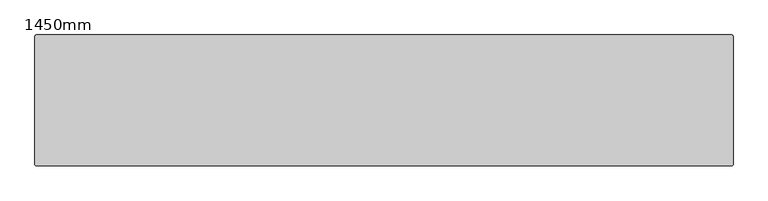
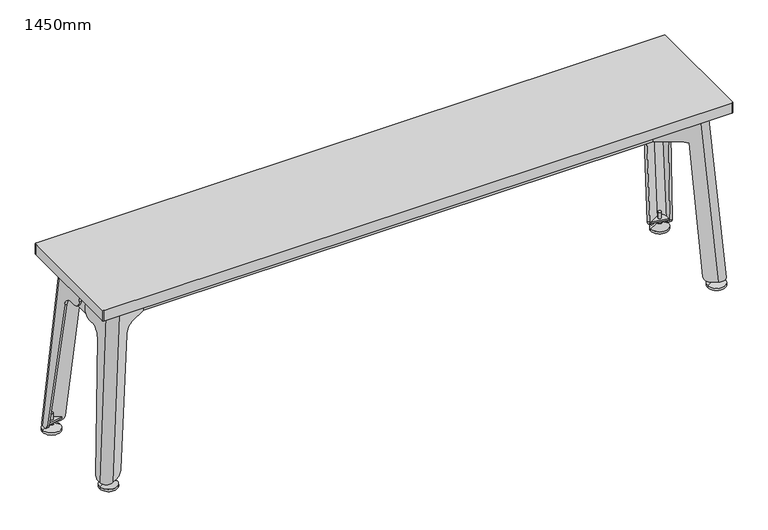
"""IFC4 building model written with IfcOpenShell, lengths in millimetres: furniture geometry, 1450mm."""

from ifc_helpers import new_model, si_unit, point, frame, frame_2d, origin, place, context, project, spatial, polyline, circle_curve, ellipse_curve, trimmed, segment, composite_curve, outline, extrude, source, transform, mapped, element, save
from ifc_brep_helpers import plane_surface, cylinder_surface, revolved_surface, extruded_surface, advanced_brep


def furniture_1450mm_d9cc6aed(model_context):
    return source(origin(), model_context, "Body", "SolidModel", [
        extrude(outline(composite_curve([segment(trimmed(circle_curve(frame_2d((-693.9, -112.5)), 3.5), [point((-697.4, -112.5))], [point((-690.4, -112.5))], False, "CARTESIAN"), True, "CONTINUOUS"), segment(trimmed(circle_curve(frame_2d((-693.9, -112.5)), 3.5), [point((-690.4, -112.5))], [point((-697.4, -112.5))], False, "CARTESIAN"), True, "CONTINUOUS")], self_intersect=False)), frame((0.0, 0.0, 5.0), z_axis=(0.0, 0.0, 1.0), x_axis=(1.0, 0.0, 0.0)), (0.0, 0.0, 1.0), 35.0),
        extrude(outline(composite_curve([segment(trimmed(circle_curve(frame_2d((-693.9, 112.5)), 3.5), [point((-697.4, 112.5))], [point((-690.4, 112.5))], False, "CARTESIAN"), True, "CONTINUOUS"), segment(trimmed(circle_curve(frame_2d((-693.9, 112.5)), 3.5), [point((-690.4, 112.5))], [point((-697.4, 112.5))], False, "CARTESIAN"), True, "CONTINUOUS")], self_intersect=False)), frame((0.0, 0.0, 5.0), z_axis=(0.0, 0.0, 1.0), x_axis=(1.0, 0.0, 0.0)), (0.0, 0.0, 1.0), 35.0),
        extrude(outline(composite_curve([segment(trimmed(circle_curve(frame_2d((693.9, 112.5)), 3.5), [point((690.4, 112.5))], [point((697.4, 112.5))], False, "CARTESIAN"), True, "CONTINUOUS"), segment(trimmed(circle_curve(frame_2d((693.9, 112.5)), 3.5), [point((697.4, 112.5))], [point((690.4, 112.5))], False, "CARTESIAN"), True, "CONTINUOUS")], self_intersect=False)), frame((0.0, 0.0, 5.0), z_axis=(0.0, 0.0, 1.0), x_axis=(1.0, 0.0, 0.0)), (0.0, 0.0, 1.0), 35.0),
        extrude(outline(composite_curve([segment(trimmed(circle_curve(frame_2d((693.9, -112.5)), 3.5), [point((690.4, -112.5))], [point((697.4, -112.5))], False, "CARTESIAN"), True, "CONTINUOUS"), segment(trimmed(circle_curve(frame_2d((693.9, -112.5)), 3.5), [point((697.4, -112.5))], [point((690.4, -112.5))], False, "CARTESIAN"), True, "CONTINUOUS")], self_intersect=False)), frame((0.0, 0.0, 5.0), z_axis=(0.0, 0.0, 1.0), x_axis=(1.0, 0.0, 0.0)), (0.0, 0.0, 1.0), 35.0),
        advanced_brep(
        [(693.9, 112.5, 14.0), (688.9, 112.5, 14.0), (698.9, 112.5, 14.0), (713.9, 112.5, 0.0), (673.9, 112.5, 0.0), (693.9, 112.5, 0.0), (713.9, 112.5, 5.0), (673.9, 112.5, 5.0)],
        [
            (0, 1),
            (1, 2, circle_curve(frame((693.9, 112.5, 14.0), z_axis=(0.0, 0.0, 1.0), x_axis=(-1.0, 0.0, 0.0)), 5.0)),
            (2, 0),
            (2, 1, circle_curve(frame((693.9, 112.5, 14.0), z_axis=(0.0, 0.0, 1.0), x_axis=(-1.0, 0.0, 0.0)), 5.0)),
            (3, 4, circle_curve(frame((693.9, 112.5, 0.0), z_axis=(0.0, 0.0, -1.0), x_axis=(-1.0, 0.0, 0.0)), 20.0)),
            (4, 5),
            (5, 3),
            (4, 3, circle_curve(frame((693.9, 112.5, 0.0), z_axis=(0.0, 0.0, -1.0), x_axis=(-1.0, 0.0, 0.0)), 20.0)),
            (6, 7, circle_curve(frame((693.9, 112.5, 5.0), z_axis=(0.0, 0.0, -1.0), x_axis=(-1.0, 0.0, 0.0)), 20.0)),
            (7, 4),
            (3, 6),
            (7, 6, circle_curve(frame((693.9, 112.5, 5.0), z_axis=(0.0, 0.0, -1.0), x_axis=(-1.0, 0.0, 0.0)), 20.0)),
            (1, 7),
            (6, 2),
        ],
        [
            plane_surface(frame((693.9, 112.5, 14.0), z_axis=(0.0, 0.0, 1.0), x_axis=(-1.0, 0.0, 0.0))),
            plane_surface(frame((693.9, 112.5, 0.0), z_axis=(0.0, 0.0, -1.0), x_axis=(-1.0, 0.0, 0.0))),
            cylinder_surface(frame((693.9, 112.5, -4.2812996), z_axis=(0.0, 0.0, 1.0), x_axis=(-1.0, 0.0, 0.0)), 20.0),
            revolved_surface(polyline([(673.9, 112.5, 5.0), (688.9, 112.5, 14.0)]), (693.9, 112.5, -4.2812996), (0.0, 0.0, 1.0)),
        ],
        [
            (0, [[1, 2, 3]]),
            (0, [[-3, 4, -1]]),
            (1, [[5, 6, 7]]),
            (1, [[8, -7, -6]]),
            (2, [[9, 10, -5, 11]]),
            (2, [[12, -11, -8, -10]]),
            (3, [[-2, 13, -9, 14]]),
            (3, [[-4, -14, -12, -13]]),
        ],
    ),
        advanced_brep(
        [(698.9, -112.5, 14.0), (688.9, -112.5, 14.0), (693.9, -112.5, 14.0), (693.9, -112.5, 0.0), (673.9, -112.5, 0.0), (713.9, -112.5, 0.0), (673.9, -112.5, 5.0), (713.9, -112.5, 5.0)],
        [
            (0, 1, circle_curve(frame((693.9, -112.5, 14.0), z_axis=(0.0, 0.0, 1.0), x_axis=(-1.0, 0.0, 0.0)), 5.0)),
            (1, 2),
            (2, 0),
            (1, 0, circle_curve(frame((693.9, -112.5, 14.0), z_axis=(0.0, 0.0, 1.0), x_axis=(-1.0, 0.0, 0.0)), 5.0)),
            (3, 4),
            (4, 5, circle_curve(frame((693.9, -112.5, 0.0), z_axis=(0.0, 0.0, -1.0), x_axis=(-1.0, 0.0, 0.0)), 20.0)),
            (5, 3),
            (5, 4, circle_curve(frame((693.9, -112.5, 0.0), z_axis=(0.0, 0.0, -1.0), x_axis=(-1.0, 0.0, 0.0)), 20.0)),
            (4, 6),
            (6, 7, circle_curve(frame((693.9, -112.5, 5.0), z_axis=(0.0, 0.0, -1.0), x_axis=(-1.0, 0.0, 0.0)), 20.0)),
            (7, 5),
            (7, 6, circle_curve(frame((693.9, -112.5, 5.0), z_axis=(0.0, 0.0, -1.0), x_axis=(-1.0, 0.0, 0.0)), 20.0)),
            (6, 1),
            (0, 7),
        ],
        [
            plane_surface(frame((693.9, -112.5, 14.0), z_axis=(0.0, 0.0, 1.0), x_axis=(-1.0, 0.0, 0.0))),
            plane_surface(frame((693.9, -112.5, 0.0), z_axis=(0.0, 0.0, -1.0), x_axis=(-1.0, 0.0, 0.0))),
            cylinder_surface(frame((693.9, -112.5, -4.2812996), z_axis=(0.0, 0.0, -1.0), x_axis=(-1.0, 0.0, 0.0)), 20.0),
            revolved_surface(polyline([(688.9, -112.5, 14.0), (673.9, -112.5, 5.0)]), (693.9, -112.5, -4.2812996), (0.0, 0.0, -1.0)),
        ],
        [
            (0, [[1, 2, 3]]),
            (0, [[4, -3, -2]]),
            (1, [[5, 6, 7]]),
            (1, [[-7, 8, -5]]),
            (2, [[-6, 9, 10, 11]]),
            (2, [[-8, -11, 12, -9]]),
            (3, [[-10, 13, -1, 14]]),
            (3, [[-12, -14, -4, -13]]),
        ],
    ),
        advanced_brep(
        [(-698.9, 112.5, 14.0), (-688.9, 112.5, 14.0), (-693.9, 112.5, 14.0), (-693.9, 112.5, 0.0), (-673.9, 112.5, 0.0), (-713.9, 112.5, 0.0), (-673.9, 112.5, 5.0), (-713.9, 112.5, 5.0)],
        [
            (0, 1, circle_curve(frame((-693.9, 112.5, 14.0), z_axis=(0.0, 0.0, 1.0), x_axis=(1.0, 0.0, 0.0)), 5.0)),
            (1, 2),
            (2, 0),
            (1, 0, circle_curve(frame((-693.9, 112.5, 14.0), z_axis=(0.0, 0.0, 1.0), x_axis=(1.0, 0.0, 0.0)), 5.0)),
            (3, 4),
            (4, 5, circle_curve(frame((-693.9, 112.5, 0.0), z_axis=(0.0, 0.0, -1.0), x_axis=(1.0, 0.0, 0.0)), 20.0)),
            (5, 3),
            (5, 4, circle_curve(frame((-693.9, 112.5, 0.0), z_axis=(0.0, 0.0, -1.0), x_axis=(1.0, 0.0, 0.0)), 20.0)),
            (4, 6),
            (6, 7, circle_curve(frame((-693.9, 112.5, 5.0), z_axis=(0.0, 0.0, -1.0), x_axis=(1.0, 0.0, 0.0)), 20.0)),
            (7, 5),
            (7, 6, circle_curve(frame((-693.9, 112.5, 5.0), z_axis=(0.0, 0.0, -1.0), x_axis=(1.0, 0.0, 0.0)), 20.0)),
            (6, 1),
            (0, 7),
        ],
        [
            plane_surface(frame((-693.9, 112.5, 14.0), z_axis=(0.0, 0.0, 1.0), x_axis=(1.0, 0.0, 0.0))),
            plane_surface(frame((-693.9, 112.5, 0.0), z_axis=(0.0, 0.0, -1.0), x_axis=(1.0, 0.0, 0.0))),
            cylinder_surface(frame((-693.9, 112.5, -4.2812996), z_axis=(0.0, 0.0, -1.0), x_axis=(1.0, 0.0, 0.0)), 20.0),
            revolved_surface(polyline([(-688.9, 112.5, 14.0), (-673.9, 112.5, 5.0)]), (-693.9, 112.5, -4.2812996), (0.0, 0.0, -1.0)),
        ],
        [
            (0, [[1, 2, 3]]),
            (0, [[4, -3, -2]]),
            (1, [[5, 6, 7]]),
            (1, [[-7, 8, -5]]),
            (2, [[-6, 9, 10, 11]]),
            (2, [[-8, -11, 12, -9]]),
            (3, [[-10, 13, -1, 14]]),
            (3, [[-12, -14, -4, -13]]),
        ],
    ),
        advanced_brep(
        [(-693.9, -112.5, 14.0), (-688.9, -112.5, 14.0), (-698.9, -112.5, 14.0), (-713.9, -112.5, 0.0), (-673.9, -112.5, 0.0), (-693.9, -112.5, 0.0), (-713.9, -112.5, 5.0), (-673.9, -112.5, 5.0)],
        [
            (0, 1),
            (1, 2, circle_curve(frame((-693.9, -112.5, 14.0), z_axis=(0.0, 0.0, 1.0), x_axis=(1.0, 0.0, 0.0)), 5.0)),
            (2, 0),
            (2, 1, circle_curve(frame((-693.9, -112.5, 14.0), z_axis=(0.0, 0.0, 1.0), x_axis=(1.0, 0.0, 0.0)), 5.0)),
            (3, 4, circle_curve(frame((-693.9, -112.5, 0.0), z_axis=(0.0, 0.0, -1.0), x_axis=(1.0, 0.0, 0.0)), 20.0)),
            (4, 5),
            (5, 3),
            (4, 3, circle_curve(frame((-693.9, -112.5, 0.0), z_axis=(0.0, 0.0, -1.0), x_axis=(1.0, 0.0, 0.0)), 20.0)),
            (6, 7, circle_curve(frame((-693.9, -112.5, 5.0), z_axis=(0.0, 0.0, -1.0), x_axis=(1.0, 0.0, 0.0)), 20.0)),
            (7, 4),
            (3, 6),
            (7, 6, circle_curve(frame((-693.9, -112.5, 5.0), z_axis=(0.0, 0.0, -1.0), x_axis=(1.0, 0.0, 0.0)), 20.0)),
            (1, 7),
            (6, 2),
        ],
        [
            plane_surface(frame((-693.9, -112.5, 14.0), z_axis=(0.0, 0.0, 1.0), x_axis=(1.0, 0.0, 0.0))),
            plane_surface(frame((-693.9, -112.5, 0.0), z_axis=(0.0, 0.0, -1.0), x_axis=(1.0, 0.0, 0.0))),
            cylinder_surface(frame((-693.9, -112.5, -4.2812996), z_axis=(0.0, 0.0, 1.0), x_axis=(1.0, 0.0, 0.0)), 20.0),
            revolved_surface(polyline([(-673.9, -112.5, 5.0), (-688.9, -112.5, 14.0)]), (-693.9, -112.5, -4.2812996), (0.0, 0.0, 1.0)),
        ],
        [
            (0, [[1, 2, 3]]),
            (0, [[-3, 4, -1]]),
            (1, [[5, 6, 7]]),
            (1, [[8, -7, -6]]),
            (2, [[9, 10, -5, 11]]),
            (2, [[12, -11, -8, -10]]),
            (3, [[-2, 13, -9, 14]]),
            (3, [[-4, -14, -12, -13]]),
        ],
    ),
        extrude(outline(composite_curve([segment(polyline([(-708.9, -112.5), (-708.9, -101.1549508), (-672.2493649, -108.660254), (-693.9, -121.160254)]), True, "CONTINUOUS"), segment(trimmed(circle_curve(frame_2d((-698.9, -112.5)), 10.0), [point((-693.9, -121.160254))], [point((-708.9, -112.5))], False, "CARTESIAN"), True, "CONTINUOUS")], self_intersect=False)), frame((0.0, 0.0, 21.0), z_axis=(0.0, 0.0, 1.0), x_axis=(1.0, 0.0, 0.0)), (0.0, 0.0, 1.0), 4.0),
        extrude(outline(composite_curve([segment(trimmed(circle_curve(frame_2d((-698.9, 112.5)), 10.0), [point((-708.9, 112.5))], [point((-693.9, 121.160254))], False, "CARTESIAN"), True, "CONTINUOUS"), segment(polyline([(-693.9, 121.160254), (-672.2493649, 108.660254), (-708.9, 101.1549508), (-708.9, 112.5)]), True, "CONTINUOUS")], self_intersect=False)), frame((0.0, 0.0, 21.0), z_axis=(0.0, 0.0, 1.0), x_axis=(1.0, 0.0, 0.0)), (0.0, 0.0, 1.0), 4.0),
        extrude(outline(composite_curve([segment(polyline([(672.2493649, 108.660254), (693.9, 121.160254)]), True, "CONTINUOUS"), segment(trimmed(circle_curve(frame_2d((698.9, 112.5)), 10.0), [point((693.9, 121.160254))], [point((708.9, 112.5))], False, "CARTESIAN"), True, "CONTINUOUS"), segment(polyline([(708.9, 112.5), (708.9, 101.1549508), (672.2493649, 108.660254)]), True, "CONTINUOUS")], self_intersect=False)), frame((0.0, 0.0, 21.0), z_axis=(0.0, 0.0, 1.0), x_axis=(1.0, 0.0, 0.0)), (0.0, 0.0, 1.0), 4.0),
        extrude(outline(composite_curve([segment(trimmed(circle_curve(frame_2d((698.9, -112.5)), 10.0), [point((708.9, -112.5))], [point((693.9, -121.160254))], False, "CARTESIAN"), True, "CONTINUOUS"), segment(polyline([(693.9, -121.160254), (672.2493649, -108.660254), (708.9, -101.1549508), (708.9, -112.5)]), True, "CONTINUOUS")], self_intersect=False)), frame((0.0, 0.0, 21.0), z_axis=(0.0, 0.0, 1.0), x_axis=(1.0, 0.0, 0.0)), (0.0, 0.0, 1.0), 4.0),
        extrude(outline(polyline([(425.0, -674.4214902), (350.0, -679.8137148), (350.0, 679.8140502), (425.0, 674.4214902), (425.0, -674.4214902)])), frame((0.0, 25.5, 0.0), z_axis=(0.0, 1.0, 0.0), x_axis=(0.0, 0.0, 1.0)), (0.0, 0.0, 1.0), 30.0),
        extrude(outline(polyline([(425.0, -674.4214902), (350.0, -679.8137148), (350.0, 679.8140502), (425.0, 674.4214902), (425.0, -674.4214902)])), frame((0.0, -55.5, 0.0), z_axis=(0.0, 1.0, 0.0), x_axis=(0.0, 0.0, 1.0)), (0.0, 0.0, 1.0), 30.0),
        extrude(outline(polyline([(350.0, 684.8139006), (425.0, 679.4214902), (425.0, 674.4214902), (350.0, 679.8140502), (350.0, 684.8139006)])), frame((0.0, -55.5, 0.0), z_axis=(0.0, 1.0, 0.0), x_axis=(0.0, 0.0, 1.0)), (0.0, 0.0, 1.0), 111.0),
        extrude(outline(polyline([(350.0, -679.8137148), (425.0, -674.4214902), (425.0, -679.4214902), (350.0, -684.8137148), (350.0, -679.8137148)])), frame((0.0, -55.5, 0.0), z_axis=(0.0, 1.0, 0.0), x_axis=(0.0, 0.0, 1.0)), (0.0, 0.0, 1.0), 111.0),
        advanced_brep(
        [(684.4214902, 88.0, 425.0), (661.9214902, 100.9903811, 425.0), (578.5510818, 52.8564533, 425.0), (581.3502118, 48.6990291, 425.0), (664.4214902, 96.660254, 425.0), (679.4214902, 88.0, 425.0), (679.4214902, 11.6164295, 425.0), (684.4214902, 11.6164295, 425.0), (676.8913287, 117.1137958, 15.0), (691.4, 125.4903811, 15.0), (698.9, 127.5, 15.0), (713.9, 112.5, 15.0), (713.9, 106.5232166, 15.0), (708.9, 106.5232166, 15.0), (708.9, 112.5, 15.0), (694.3296714, 121.3944981, 15.0), (693.9, 121.160254, 15.0), (679.6904587, 112.9563715, 15.0), (688.5916209, 11.6164295, 367.0), (689.8139006, 28.6164295, 350.0), (689.8139006, 40.4485879, 350.0), (691.427267, 65.3171093, 327.5605944), (713.2546534, 96.5758081, 23.9757622), (664.098017, 109.4898343, 28.0301766), (643.9128594, 92.0141445, 347.1141326), (626.6703198, 82.0065061, 350.0), (577.8876504, 53.8418188, 350.0), (580.6867804, 49.6843945, 350.0), (629.4694498, 77.8490818, 350.0), (646.7119894, 87.8567203, 347.1141326), (666.897147, 105.33241, 28.0301766), (708.2546534, 96.5758081, 23.9757622), (686.427267, 65.3171093, 327.5605944), (684.8139006, 40.4485879, 350.0), (684.8139006, 28.6164295, 350.0), (683.5916209, 11.6164295, 367.0)],
        [
            (0, 1, circle_curve(frame((669.4214902, 88.0, 425.0), z_axis=(0.0, 0.0, 1.0), x_axis=(-1.0, 0.0, 0.0)), 15.0)),
            (1, 2),
            (2, 3),
            (3, 4),
            (4, 5, circle_curve(frame((669.4214902, 88.0, 425.0), z_axis=(0.0, 0.0, -1.0), x_axis=(-1.0, 0.0, 0.0)), 10.0)),
            (5, 6),
            (6, 7),
            (7, 0),
            (8, 9),
            (9, 10, circle_curve(frame((698.9, 112.5, 15.0), z_axis=(0.0, 0.0, -1.0), x_axis=(-1.0, 0.0, 0.0)), 15.0)),
            (10, 11, circle_curve(frame((698.9, 112.5, 15.0), z_axis=(0.0, 0.0, -1.0), x_axis=(-1.0, 0.0, 0.0)), 15.0)),
            (11, 12),
            (12, 13),
            (13, 14),
            (14, 15, circle_curve(frame((698.9, 112.5, 15.0), z_axis=(0.0, 0.0, 1.0), x_axis=(-1.0, 0.0, 0.0)), 10.0)),
            (15, 16, circle_curve(frame((698.9, 112.5, 15.0), z_axis=(0.0, 0.0, 1.0), x_axis=(-1.0, 0.0, 0.0)), 10.0)),
            (16, 17),
            (17, 8),
            (11, 0),
            (7, 18),
            (18, 19, ellipse_curve(frame((688.5916209, 28.6164295, 367.0), z_axis=(0.9974252591537296, 0.0, 0.07171368350681338), x_axis=(-0.07171368350681226, 0.0, 0.9974252591537297)), 17.0438836, 17.0)),
            (19, 20),
            (20, 21, ellipse_curve(frame((691.6113707, 40.4485879, 325.0), z_axis=(-0.9974252591537296, 0.0, -0.07171368350681338), x_axis=(0.07171368350681226, 0.0, -0.9974252591537297)), 25.0645347, 25.0)),
            (21, 22),
            (22, 12, ellipse_curve(frame((713.181012, 106.5232166, 25.0), z_axis=(0.9974252591537296, 0.0, 0.07171368350681338), x_axis=(-0.07171368350681226, 0.0, 0.9974252591537297)), 10.0258139, 10.0)),
            (9, 1),
            (8, 23, ellipse_curve(frame((677.024015, 116.9167227, 30.0), z_axis=(-0.4999375946037528, 0.8659173144673706, 0.015798924249156195), x_axis=(0.8459895979976165, 0.4843651325969152, 0.22291706620221802)), 15.0376258, 15.0)),
            (23, 24),
            (24, 25, ellipse_curve(frame((626.0511171, 82.9261805, 280.0), z_axis=(0.4999375946037528, -0.8659173144673706, -0.015798924249156195), x_axis=(-0.8459895979976165, -0.4843651325969152, -0.22291706620221802)), 70.1755869, 70.0)),
            (25, 26),
            (26, 2),
            (16, 4),
            (3, 27),
            (27, 28),
            (28, 29, ellipse_curve(frame((628.8502471, 78.7687562, 280.0), z_axis=(-0.4999375946033843, 0.8659173144675821, 0.01579892424922341), x_axis=(-0.845989597997907, -0.4843651325965954, -0.22291706620180987)), 70.1755869, 70.0)),
            (29, 30),
            (30, 17, ellipse_curve(frame((679.823145, 112.7592984, 30.0), z_axis=(0.4999375946033843, -0.8659173144675821, -0.01579892424922341), x_axis=(0.845989597997907, 0.4843651325965954, 0.22291706620180987)), 15.0376258, 15.0)),
            (14, 5),
            (13, 31, ellipse_curve(frame((708.181012, 106.5232166, 25.0), z_axis=(-0.9974252591536961, 0.0, -0.07171368350728054), x_axis=(-0.07171368350727864, 0.0, 0.9974252591536962)), 10.0258139, 10.0)),
            (31, 32),
            (32, 33, ellipse_curve(frame((686.6113707, 40.4485879, 325.0), z_axis=(0.9974252591536961, 0.0, 0.07171368350728054), x_axis=(0.07171368350727864, 0.0, -0.9974252591536962)), 25.0645347, 25.0)),
            (33, 34),
            (34, 35, ellipse_curve(frame((683.5916209, 28.6164295, 367.0), z_axis=(-0.9974252591536961, 0.0, -0.07171368350728054), x_axis=(-0.07171368350727864, 0.0, 0.9974252591536962)), 17.0438836, 17.0)),
            (35, 6),
            (26, 27),
            (25, 28),
            (29, 24),
            (23, 30),
            (33, 20),
            (19, 34),
            (31, 22),
            (21, 32),
            (35, 18),
        ],
        [
            plane_surface(frame((647.4317535, 56.4126588, 425.0), z_axis=(0.0, 0.0, 1.0), x_axis=(0.0, 1.0, 0.0))),
            plane_surface(frame((689.0346189, 100.4126588, 15.0), z_axis=(0.0, 0.0, -1.0), x_axis=(0.0, 1.0, 0.0))),
            plane_surface(frame((713.9, 92.5, 15.0), z_axis=(0.9974252591537296, 0.0, 0.07171368350681338), x_axis=(0.0, 1.0, 0.0))),
            extruded_surface(trimmed(circle_curve(frame((698.9, 112.5, 15.0), z_axis=(0.0, 0.0, 1.0), x_axis=(-1.0, 0.0, 0.0)), 15.0), [point((713.9, 112.5, 15.0))], [point((691.4, 125.4903811, 15.0))], True, "CARTESIAN"), (-29.478509799999983, -24.5, 410.0), 411.78784894655246),
            plane_surface(frame((665.4192379, 110.4903811, 15.0), z_axis=(-0.4999375946037528, 0.8659173144673706, 0.015798924249156195), x_axis=(-0.8660254037844134, -0.500000000000044, 0.0))),
            plane_surface(frame((667.9192379, 106.160254, 15.0), z_axis=(0.4999375946033843, -0.8659173144675821, -0.01579892424922341), x_axis=(0.8660254037846258, 0.4999999999996759, 0.0))),
            extruded_surface(trimmed(circle_curve(frame((698.9, 112.5, 15.0), z_axis=(0.0, 0.0, -1.0), x_axis=(-1.0, 0.0, 0.0)), 10.0), [point((693.9, 121.160254, 15.0))], [point((708.9, 112.5, 15.0))], True, "CARTESIAN"), (-29.478509799999983, -24.5, 410.0), 411.78784894655246),
            plane_surface(frame((708.9, 92.5, 15.0), z_axis=(-0.9974252591536961, 0.0, -0.07171368350728054), x_axis=(0.0, -1.0, 0.0))),
            plane_surface(frame((571.0896575, 63.9385775, 450.0), z_axis=(-0.82950791260391, -0.5584949623116613, 0.0), x_axis=(0.5584949623116613, -0.82950791260391, 0.0))),
            plane_surface(frame((571.0896575, 63.9385775, 350.0), z_axis=(0.0, 0.0, -1.0), x_axis=(0.5584949623116613, -0.82950791260391, 0.0))),
            plane_surface(frame((634.2048283, 106.4330545, 347.1141326), z_axis=(-0.8266611072127199, -0.5565782518794837, -0.08277719104087863), x_axis=(0.558494962311661, -0.8295079126039102, 0.0))),
            cylinder_surface(frame((683.6041946, 107.1434724, 30.0), z_axis=(0.558494962311661, -0.8295079126039103, 0.0), x_axis=(-0.8295079126039103, -0.558494962311661, 0.0)), 15.0),
            revolved_surface(polyline([(565.2147866361104, 47.946845138767046, 280.0), (573.5554697069949, 35.55879677538825, 280.0)]), (632.7835887, 72.9267375, 280.0), (-0.558494962311661, 0.8295079126039103, 0.0)),
            plane_surface(frame((723.9, 40.4485879, 350.0), z_axis=(0.0, 0.0, -1.0), x_axis=(-1.0, 0.0, 0.0))),
            plane_surface(frame((723.9, 96.5758081, 23.9757622), z_axis=(0.0, -0.9947408557684871, -0.10242377587737136), x_axis=(-1.0, 0.0, 0.0))),
            cylinder_surface(frame((-723.9, 106.5232166, 25.0), z_axis=(-1.0, 0.0, 0.0), x_axis=(0.0, -1.0, 0.0)), 10.0),
            plane_surface(frame((723.9, 11.6164295, 367.0), z_axis=(0.0, -1.0, 0.0), x_axis=(-1.0, 0.0, 0.0))),
            cylinder_surface(frame((-723.9, 28.6164295, 367.0), z_axis=(-1.0, 0.0, 0.0), x_axis=(0.0, -1.0, 0.0)), 17.0),
            revolved_surface(polyline([(693.4088408087215, 15.4485879, 325.0), (684.813900591267, 15.4485879, 325.0)]), (-723.9, 40.4485879, 325.0), (1.0, 0.0, 0.0)),
        ],
        [
            (0, [[1, 2, 3, 4, 5, 6, 7, 8]]),
            (1, [[9, 10, 11, 12, 13, 14, 15, 16, 17, 18]]),
            (2, [[19, -8, 20, 21, 22, 23, 24, 25, -12]]),
            (3, [[-1, -19, -11, -10, 26]]),
            (4, [[-26, -9, 27, 28, 29, 30, 31, -2]]),
            (5, [[32, -4, 33, 34, 35, 36, 37, -17]]),
            (6, [[-5, -32, -16, -15, 38]]),
            (7, [[-38, -14, 39, 40, 41, 42, 43, 44, -6]]),
            (8, [[45, -33, -3, -31]]),
            (9, [[-45, -30, 46, -34]]),
            (10, [[47, -28, 48, -36]]),
            (11, [[-48, -27, -18, -37]]),
            (12, [[-47, -35, -46, -29]]),
            (13, [[49, -22, 50, -42]]),
            (14, [[51, -24, 52, -40]]),
            (15, [[-51, -39, -13, -25]]),
            (16, [[53, -20, -7, -44]]),
            (17, [[-53, -43, -50, -21]]),
            (18, [[-49, -41, -52, -23]]),
        ],
    ),
        advanced_brep(
        [(679.4214902, -88.0, 425.0), (664.4214902, -96.660254, 425.0), (582.2707147, -49.2304817, 425.0), (579.4715847, -53.3879059, 425.0), (661.9214902, -100.9903811, 425.0), (684.4214902, -88.0, 425.0), (684.4214902, -11.6164295, 425.0), (679.4214902, -11.6164295, 425.0), (691.4, -125.4903811, 15.0), (676.8913287, -117.1137958, 15.0), (679.6904587, -112.9563715, 15.0), (693.9, -121.160254, 15.0), (694.3296714, -121.3944981, 15.0), (708.9, -112.5, 15.0), (708.9, -106.5232166, 15.0), (713.9, -106.5232166, 15.0), (713.9, -112.5, 15.0), (698.9, -127.5, 15.0), (713.2546534, -96.5758081, 23.9757622), (691.427267, -65.3171093, 327.5605944), (689.8139006, -40.4485879, 350.0), (689.8139006, -28.6164295, 350.0), (688.5916209, -11.6164295, 367.0), (578.8081533, -54.3732713, 350.0), (626.6703198, -82.0065061, 350.0), (643.9128594, -92.0141445, 347.1141326), (664.098017, -109.4898343, 28.0301766), (666.897147, -105.33241, 28.0301766), (646.7119894, -87.8567203, 347.1141326), (629.4694498, -77.8490818, 350.0), (581.6072833, -50.2158471, 350.0), (683.5916209, -11.6164295, 367.0), (684.8139006, -28.6164295, 350.0), (684.8139006, -40.4485879, 350.0), (686.427267, -65.3171093, 327.5605944), (708.2546534, -96.5758081, 23.9757622)],
        [
            (0, 1, circle_curve(frame((669.4214902, -88.0, 425.0), z_axis=(0.0, 0.0, -1.0), x_axis=(-1.0, 0.0, 0.0)), 10.0)),
            (1, 2),
            (2, 3),
            (3, 4),
            (4, 5, circle_curve(frame((669.4214902, -88.0, 425.0), z_axis=(0.0, 0.0, 1.0), x_axis=(-1.0, 0.0, 0.0)), 15.0)),
            (5, 6),
            (6, 7),
            (7, 0),
            (8, 9),
            (9, 10),
            (10, 11),
            (11, 12, circle_curve(frame((698.9, -112.5, 15.0), z_axis=(0.0, 0.0, 1.0), x_axis=(-1.0, 0.0, 0.0)), 10.0)),
            (12, 13, circle_curve(frame((698.9, -112.5, 15.0), z_axis=(0.0, 0.0, 1.0), x_axis=(-1.0, 0.0, 0.0)), 10.0)),
            (13, 14),
            (14, 15),
            (15, 16),
            (16, 17, circle_curve(frame((698.9, -112.5, 15.0), z_axis=(0.0, 0.0, -1.0), x_axis=(-1.0, 0.0, 0.0)), 15.0)),
            (17, 8, circle_curve(frame((698.9, -112.5, 15.0), z_axis=(0.0, 0.0, -1.0), x_axis=(-1.0, 0.0, 0.0)), 15.0)),
            (5, 16),
            (15, 18, ellipse_curve(frame((713.181012, -106.5232166, 25.0), z_axis=(0.9974252591537277, 0.0, 0.07171368350683957), x_axis=(-0.0717136835068387, 0.0, 0.9974252591537277)), 10.0258139, 10.0)),
            (18, 19),
            (19, 20, ellipse_curve(frame((691.6113707, -40.4485879, 325.0), z_axis=(-0.9974252591537277, 0.0, -0.07171368350683957), x_axis=(0.0717136835068387, 0.0, -0.9974252591537277)), 25.0645347, 25.0)),
            (20, 21),
            (21, 22, ellipse_curve(frame((688.5916209, -28.6164295, 367.0), z_axis=(0.9974252591537277, 0.0, 0.07171368350683957), x_axis=(-0.0717136835068387, 0.0, 0.9974252591537277)), 17.0438836, 17.0)),
            (22, 6),
            (4, 8),
            (3, 23),
            (23, 24),
            (24, 25, ellipse_curve(frame((626.0511171, -82.9261805, 280.0), z_axis=(0.4999375946037541, 0.8659173144673703, -0.015798924249140013), x_axis=(0.845989597997606, -0.48436513259691705, 0.22291706620225354)), 70.1755869, 70.0)),
            (25, 26),
            (26, 9, ellipse_curve(frame((677.024015, -116.9167227, 30.0), z_axis=(-0.4999375946037541, -0.8659173144673703, 0.015798924249140013), x_axis=(-0.845989597997606, 0.48436513259691705, -0.22291706620225354)), 15.0376258, 15.0)),
            (1, 11),
            (10, 27, ellipse_curve(frame((679.823145, -112.7592984, 30.0), z_axis=(0.4999375946033548, 0.8659173144675993, -0.015798924249220445), x_axis=(-0.8459895979979034, 0.4843651325965545, -0.2229170662019132)), 15.0376258, 15.0)),
            (27, 28),
            (28, 29, ellipse_curve(frame((628.8502471, -78.7687562, 280.0), z_axis=(-0.4999375946033548, -0.8659173144675993, 0.015798924249220445), x_axis=(0.8459895979979034, -0.4843651325965545, 0.2229170662019132)), 70.1755869, 70.0)),
            (29, 30),
            (30, 2),
            (0, 13),
            (7, 31),
            (31, 32, ellipse_curve(frame((683.5916209, -28.6164295, 367.0), z_axis=(-0.997425259153693, 0.0, -0.07171368350732278), x_axis=(-0.07171368350732307, 0.0, 0.9974252591536931)), 17.0438836, 17.0)),
            (32, 33),
            (33, 34, ellipse_curve(frame((686.6113707, -40.4485879, 325.0), z_axis=(0.997425259153693, 0.0, 0.07171368350732278), x_axis=(0.07171368350732307, 0.0, -0.9974252591536931)), 25.0645347, 25.0)),
            (34, 35),
            (35, 14, ellipse_curve(frame((708.181012, -106.5232166, 25.0), z_axis=(-0.997425259153693, 0.0, -0.07171368350732278), x_axis=(-0.07171368350732307, 0.0, 0.9974252591536931)), 10.0258139, 10.0)),
            (30, 23),
            (29, 24),
            (25, 28),
            (27, 26),
            (32, 21),
            (20, 33),
            (34, 19),
            (18, 35),
            (22, 31),
        ],
        [
            plane_surface(frame((647.4317535, -56.4126588, 425.0), z_axis=(0.0, 0.0, 1.0), x_axis=(-1.0, 0.0, 0.0))),
            plane_surface(frame((689.0346189, -100.4126588, 15.0), z_axis=(0.0, 0.0, -1.0), x_axis=(-1.0, 0.0, 0.0))),
            plane_surface(frame((713.9, -92.5, 15.0), z_axis=(0.9974252591537277, 0.0, 0.07171368350683957), x_axis=(0.0, 1.0, 0.0))),
            extruded_surface(trimmed(circle_curve(frame((698.9, -112.5, 15.0), z_axis=(0.0, 0.0, 1.0), x_axis=(-1.0, 0.0, 0.0)), 15.0), [point((691.4, -125.4903811, 15.0))], [point((713.9, -112.5, 15.0))], True, "CARTESIAN"), (-29.478509799999983, 24.5, 410.0), 411.78784894655246),
            plane_surface(frame((665.4192379, -110.4903811, 15.0), z_axis=(-0.4999375946037541, -0.8659173144673703, 0.015798924249140013), x_axis=(0.8660254037844127, -0.5000000000000451, 0.0))),
            plane_surface(frame((667.9192379, -106.160254, 15.0), z_axis=(0.4999375946033548, 0.8659173144675993, -0.015798924249220445), x_axis=(-0.8660254037846429, 0.49999999999964634, 0.0))),
            extruded_surface(trimmed(circle_curve(frame((698.9, -112.5, 15.0), z_axis=(0.0, 0.0, -1.0), x_axis=(-1.0, 0.0, 0.0)), 10.0), [point((708.9, -112.5, 15.0))], [point((693.9, -121.160254, 15.0))], True, "CARTESIAN"), (-29.478509799999983, 24.5, 410.0), 411.78784894655246),
            plane_surface(frame((708.9, -92.5, 15.0), z_axis=(-0.997425259153693, 0.0, -0.07171368350732278), x_axis=(0.0, -1.0, 0.0))),
            plane_surface(frame((585.3731285, -44.6226034, 450.0), z_axis=(-0.8295079126039543, 0.5584949623115955, 0.0), x_axis=(-0.5584949623115955, -0.8295079126039543, 0.0))),
            plane_surface(frame((585.3731285, -44.6226034, 350.0), z_axis=(0.0, 0.0, -1.0), x_axis=(-0.5584949623115955, -0.8295079126039543, 0.0))),
            plane_surface(frame((647.6087074, -86.5248646, 347.1141326), z_axis=(-0.8266611072127614, 0.5565782518794169, -0.08277719104091211), x_axis=(-0.5584949623115955, -0.8295079126039543, 0.0))),
            cylinder_surface(frame((666.8493457, -132.0287098, 30.0), z_axis=(-0.558494962311594, -0.8295079126039553, 0.0), x_axis=(-0.8295079126039553, 0.558494962311594, 0.0)), 15.0),
            revolved_surface(polyline([(573.5554697648444, -35.55879681434807, 280.0), (565.214786693966, -47.94684517771984, 280.0)]), (616.0287399, -97.8119749, 280.0), (0.558494962311594, 0.8295079126039553, 0.0)),
            plane_surface(frame((723.9, -28.6164295, 350.0), z_axis=(0.0, 0.0, -1.0), x_axis=(-1.0, 0.0, 0.0))),
            plane_surface(frame((723.9, -65.3171093, 327.5605944), z_axis=(0.0, 0.994740855768487, -0.1024237758773721), x_axis=(-1.0, 0.0, 0.0))),
            cylinder_surface(frame((-723.9, -106.5232166, 25.0), z_axis=(-1.0, 0.0, 0.0), x_axis=(0.0, 1.0, 0.0)), 10.0),
            plane_surface(frame((723.9, -11.6164295, 425.0), z_axis=(0.0, 1.0, 0.0), x_axis=(-1.0, 0.0, 0.0))),
            cylinder_surface(frame((-723.9, -28.6164295, 367.0), z_axis=(-1.0, 0.0, 0.0), x_axis=(0.0, 1.0, 0.0)), 17.0),
            revolved_surface(polyline([(693.408840808722, -15.4485879, 325.0), (684.8139005912659, -15.4485879, 325.0)]), (-723.9, -40.4485879, 325.0), (1.0, 0.0, 0.0)),
        ],
        [
            (0, [[1, 2, 3, 4, 5, 6, 7, 8]]),
            (1, [[9, 10, 11, 12, 13, 14, 15, 16, 17, 18]]),
            (2, [[19, -16, 20, 21, 22, 23, 24, 25, -6]]),
            (3, [[-5, 26, -18, -17, -19]]),
            (4, [[-26, -4, 27, 28, 29, 30, 31, -9]]),
            (5, [[32, -11, 33, 34, 35, 36, 37, -2]]),
            (6, [[-1, 38, -13, -12, -32]]),
            (7, [[-38, -8, 39, 40, 41, 42, 43, 44, -14]]),
            (8, [[45, -27, -3, -37]]),
            (9, [[-45, -36, 46, -28]]),
            (10, [[47, -34, 48, -30]]),
            (11, [[-48, -33, -10, -31]]),
            (12, [[-47, -29, -46, -35]]),
            (13, [[49, -23, 50, -41]]),
            (14, [[51, -21, 52, -43]]),
            (15, [[-52, -20, -15, -44]]),
            (16, [[53, -39, -7, -25]]),
            (17, [[-49, -40, -53, -24]]),
            (18, [[-51, -42, -50, -22]]),
        ],
    ),
        advanced_brep(
        [(-679.4214902, 88.0, 425.0), (-664.4214902, 96.660254, 425.0), (-581.3502118, 48.6990291, 425.0), (-578.5510818, 52.8564533, 425.0), (-661.9214902, 100.9903811, 425.0), (-684.4214902, 88.0, 425.0), (-684.4214902, 11.6164295, 425.0), (-679.4214902, 11.6164295, 425.0), (-691.4, 125.4903811, 15.0), (-676.8913287, 117.1137958, 15.0), (-679.6904587, 112.9563715, 15.0), (-693.9, 121.160254, 15.0), (-694.3296714, 121.3944981, 15.0), (-708.9, 112.5, 15.0), (-708.9, 106.5232166, 15.0), (-713.9, 106.5232166, 15.0), (-713.9, 112.5, 15.0), (-698.9, 127.5, 15.0), (-713.2546534, 96.5758081, 23.9757622), (-691.427267, 65.3171093, 327.5605944), (-689.8139006, 40.4485879, 350.0), (-689.8139006, 28.6164295, 350.0), (-688.5916209, 11.6164295, 367.0), (-577.8876504, 53.8418188, 350.0), (-622.14205, 79.3921083, 350.0), (-639.2515597, 89.5973302, 332.0752821), (-664.098017, 109.4898343, 28.0301766), (-666.897147, 105.33241, 28.0301766), (-642.0506897, 85.439906, 332.0752821), (-624.94118, 75.2346841, 350.0), (-580.6867804, 49.6843945, 350.0), (-683.5916209, 11.6164295, 367.0), (-684.8139006, 28.6164295, 350.0), (-684.8139006, 40.4485879, 350.0), (-686.427267, 65.3171093, 327.5605944), (-708.2546534, 96.5758081, 23.9757622)],
        [
            (0, 1, circle_curve(frame((-669.4214902, 88.0, 425.0), z_axis=(0.0, 0.0, -1.0), x_axis=(1.0, 0.0, 0.0)), 10.0)),
            (1, 2),
            (2, 3),
            (3, 4),
            (4, 5, circle_curve(frame((-669.4214902, 88.0, 425.0), z_axis=(0.0, 0.0, 1.0), x_axis=(1.0, 0.0, 0.0)), 15.0)),
            (5, 6),
            (6, 7),
            (7, 0),
            (8, 9),
            (9, 10),
            (10, 11),
            (11, 12, circle_curve(frame((-698.9, 112.5, 15.0), z_axis=(0.0, 0.0, 1.0), x_axis=(1.0, 0.0, 0.0)), 10.0)),
            (12, 13, circle_curve(frame((-698.9, 112.5, 15.0), z_axis=(0.0, 0.0, 1.0), x_axis=(1.0, 0.0, 0.0)), 10.0)),
            (13, 14),
            (14, 15),
            (15, 16),
            (16, 17, circle_curve(frame((-698.9, 112.5, 15.0), z_axis=(0.0, 0.0, -1.0), x_axis=(1.0, 0.0, 0.0)), 15.0)),
            (17, 8, circle_curve(frame((-698.9, 112.5, 15.0), z_axis=(0.0, 0.0, -1.0), x_axis=(1.0, 0.0, 0.0)), 15.0)),
            (5, 16),
            (15, 18, ellipse_curve(frame((-713.181012, 106.5232166, 25.0), z_axis=(-0.9974252591537252, 0.0, 0.07171368350687497), x_axis=(-0.07171368350687451, 0.0, -0.9974252591537252)), 10.0258139, 10.0)),
            (18, 19),
            (19, 20, ellipse_curve(frame((-691.6113707, 40.4485879, 325.0), z_axis=(0.9974252591537252, 0.0, -0.07171368350687497), x_axis=(0.07171368350687451, 0.0, 0.9974252591537252)), 25.0645347, 25.0)),
            (20, 21),
            (21, 22, ellipse_curve(frame((-688.5916209, 28.6164295, 367.0), z_axis=(-0.9974252591537252, 0.0, 0.07171368350687497), x_axis=(-0.07171368350687451, 0.0, -0.9974252591537252)), 17.0438836, 17.0)),
            (22, 6),
            (4, 8),
            (3, 23),
            (23, 24),
            (24, 25, ellipse_curve(frame((-621.965135, 79.6548724, 330.0), z_axis=(-0.49993759460374837, -0.8659173144673737, -0.015798924249128977), x_axis=(-0.845989597997619, 0.4843651325969191, 0.22291706620220042)), 20.0501677, 20.0)),
            (25, 26),
            (26, 9, ellipse_curve(frame((-677.024015, 116.9167227, 30.0), z_axis=(0.49993759460374837, 0.8659173144673737, 0.015798924249128977), x_axis=(0.845989597997619, -0.4843651325969191, -0.22291706620220042)), 15.0376258, 15.0)),
            (1, 11),
            (10, 27, ellipse_curve(frame((-679.823145, 112.7592984, 30.0), z_axis=(-0.499937594603395, -0.8659173144675768, -0.015798924249183072), x_axis=(0.8459895979979228, -0.48436513259663255, -0.22291706620166968)), 15.0376258, 15.0)),
            (27, 28),
            (28, 29, ellipse_curve(frame((-624.764265, 75.4974482, 330.0), z_axis=(0.499937594603395, 0.8659173144675768, 0.015798924249183072), x_axis=(-0.8459895979979228, 0.48436513259663255, 0.22291706620166968)), 20.0501677, 20.0)),
            (29, 30),
            (30, 2),
            (0, 13),
            (7, 31),
            (31, 32, ellipse_curve(frame((-683.5916209, 28.6164295, 367.0), z_axis=(0.9974252591536913, 0.0, -0.07171368350734672), x_axis=(-0.07171368350734557, 0.0, -0.9974252591536912)), 17.0438836, 17.0)),
            (32, 33),
            (33, 34, ellipse_curve(frame((-686.6113707, 40.4485879, 325.0), z_axis=(-0.9974252591536913, 0.0, 0.07171368350734672), x_axis=(0.07171368350734557, 0.0, 0.9974252591536912)), 25.0645347, 25.0)),
            (34, 35),
            (35, 14, ellipse_curve(frame((-708.181012, 106.5232166, 25.0), z_axis=(0.9974252591536913, 0.0, -0.07171368350734672), x_axis=(-0.07171368350734557, 0.0, -0.9974252591536912)), 10.0258139, 10.0)),
            (30, 23),
            (29, 24),
            (25, 28),
            (27, 26),
            (20, 33),
            (32, 21),
            (18, 35),
            (34, 19),
            (22, 31),
        ],
        [
            plane_surface(frame((-647.4317535, 56.4126588, 425.0), z_axis=(0.0, 0.0, 1.0), x_axis=(1.0, 0.0, 0.0))),
            plane_surface(frame((-689.0346189, 100.4126588, 15.0), z_axis=(0.0, 0.0, -1.0), x_axis=(1.0, 0.0, 0.0))),
            plane_surface(frame((-713.9, 92.5, 15.0), z_axis=(-0.9974252591537252, 0.0, 0.07171368350687497), x_axis=(0.0, -1.0, 0.0))),
            extruded_surface(trimmed(circle_curve(frame((-698.9, 112.5, 15.0), z_axis=(0.0, 0.0, 1.0), x_axis=(1.0, 0.0, 0.0)), 15.0), [point((-691.4, 125.4903811, 15.0))], [point((-713.9, 112.5, 15.0))], True, "CARTESIAN"), (29.478509799999983, -24.5, 410.0), 411.78784894655246),
            plane_surface(frame((-665.4192379, 110.4903811, 15.0), z_axis=(0.49993759460374837, 0.8659173144673737, 0.015798924249128977), x_axis=(-0.8660254037844161, 0.5000000000000393, 0.0))),
            plane_surface(frame((-667.9192379, 106.160254, 15.0), z_axis=(-0.499937594603395, -0.8659173144675768, -0.015798924249183072), x_axis=(0.8660254037846199, -0.49999999999968625, 0.0))),
            extruded_surface(trimmed(circle_curve(frame((-698.9, 112.5, 15.0), z_axis=(0.0, 0.0, -1.0), x_axis=(1.0, 0.0, 0.0)), 10.0), [point((-708.9, 112.5, 15.0))], [point((-693.9, 121.160254, 15.0))], True, "CARTESIAN"), (29.478509799999983, -24.5, 410.0), 411.78784894655246),
            plane_surface(frame((-708.9, 92.5, 15.0), z_axis=(0.9974252591536913, 0.0, -0.07171368350734672), x_axis=(0.0, 1.0, 0.0))),
            plane_surface(frame((-584.4935366, 44.0303876, 450.0), z_axis=(0.8295079126039769, -0.5584949623115619, 0.0), x_axis=(0.5584949623115619, 0.8295079126039769, 0.0))),
            plane_surface(frame((-584.4935366, 44.0303876, 350.0), z_axis=(0.0, 0.0, -1.0000000000000002), x_axis=(0.558494962311564, 0.8295079126039756, 0.0))),
            plane_surface(frame((-643.2816925, 83.6115519, 332.0752821), z_axis=(0.825030175479603, -0.5554801705434302, -0.10376410593812119), x_axis=(0.5584949623115618, 0.8295079126039772, 0.0))),
            cylinder_surface(frame((-666.8493457, 132.0287098, 30.0), z_axis=(0.5584949623115629, 0.8295079126039763, 0.0), x_axis=(0.8295079126039763, -0.5584949623115629, 0.0)), 15.0),
            revolved_surface(polyline([(-608.9657571298139, 63.15174547667829, 330.0), (-604.5833262713527, 69.66077656710648, 330.0)]), (-611.701725, 94.8986621, 330.0), (-0.5584949623115629, -0.8295079126039763, 0.0)),
            plane_surface(frame((723.9, 40.4485879, 350.0), z_axis=(0.0, 0.0, -1.0), x_axis=(-1.0, 0.0, 0.0))),
            plane_surface(frame((723.9, 96.5758081, 23.9757622), z_axis=(0.0, -0.9947408557684871, -0.10242377587737136), x_axis=(-1.0, 0.0, 0.0))),
            cylinder_surface(frame((-723.9, 106.5232166, 25.0), z_axis=(-1.0, 0.0, 0.0), x_axis=(0.0, -1.0, 0.0)), 10.0),
            plane_surface(frame((723.9, 11.6164295, 367.0), z_axis=(0.0, -1.0, 0.0), x_axis=(-1.0, 0.0, 0.0))),
            cylinder_surface(frame((-723.9, 28.6164295, 367.0), z_axis=(-1.0, 0.0, 0.0), x_axis=(0.0, -1.0, 0.0)), 17.0),
            revolved_surface(polyline([(-684.8139005912652, 15.4485879, 325.0), (-693.4088408087229, 15.4485879, 325.0)]), (-723.9, 40.4485879, 325.0), (1.0, 0.0, 0.0)),
        ],
        [
            (0, [[1, 2, 3, 4, 5, 6, 7, 8]]),
            (1, [[9, 10, 11, 12, 13, 14, 15, 16, 17, 18]]),
            (2, [[19, -16, 20, 21, 22, 23, 24, 25, -6]]),
            (3, [[-5, 26, -18, -17, -19]]),
            (4, [[-26, -4, 27, 28, 29, 30, 31, -9]]),
            (5, [[32, -11, 33, 34, 35, 36, 37, -2]]),
            (6, [[-1, 38, -13, -12, -32]]),
            (7, [[-38, -8, 39, 40, 41, 42, 43, 44, -14]]),
            (8, [[45, -27, -3, -37]]),
            (9, [[-45, -36, 46, -28]]),
            (10, [[47, -34, 48, -30]]),
            (11, [[-48, -33, -10, -31]]),
            (12, [[-47, -29, -46, -35]]),
            (13, [[49, -41, 50, -23]]),
            (14, [[51, -43, 52, -21]]),
            (15, [[-51, -20, -15, -44]]),
            (16, [[53, -39, -7, -25]]),
            (17, [[-53, -24, -50, -40]]),
            (18, [[-49, -22, -52, -42]]),
        ],
    ),
        advanced_brep(
        [(-684.4214902, -88.0, 425.0), (-661.9214902, -100.9903811, 425.0), (-579.4715847, -53.3879059, 425.0), (-582.2707147, -49.2304817, 425.0), (-664.4214902, -96.660254, 425.0), (-679.4214902, -88.0, 425.0), (-679.4214902, -11.6164295, 425.0), (-684.4214902, -11.6164295, 425.0), (-676.8913287, -117.1137958, 15.0), (-691.4, -125.4903811, 15.0), (-698.9, -127.5, 15.0), (-713.9, -112.5, 15.0), (-713.9, -106.5232166, 15.0), (-708.9, -106.5232166, 15.0), (-708.9, -112.5, 15.0), (-694.3296714, -121.3944981, 15.0), (-693.9, -121.160254, 15.0), (-679.6904587, -112.9563715, 15.0), (-688.5916209, -11.6164295, 367.0), (-689.8139006, -28.6164295, 350.0), (-689.8139006, -40.4485879, 350.0), (-691.427267, -65.3171093, 327.5605944), (-713.2546534, -96.5758081, 23.9757622), (-664.098017, -109.4898343, 28.0301766), (-639.2515597, -89.5973302, 332.0752821), (-622.14205, -79.3921083, 350.0), (-578.8081533, -54.3732713, 350.0), (-581.6072833, -50.2158471, 350.0), (-624.94118, -75.2346841, 350.0), (-642.0506897, -85.439906, 332.0752821), (-666.897147, -105.33241, 28.0301766), (-708.2546534, -96.5758081, 23.9757622), (-686.427267, -65.3171093, 327.5605944), (-684.8139006, -40.4485879, 350.0), (-684.8139006, -28.6164295, 350.0), (-683.5916209, -11.6164295, 367.0)],
        [
            (0, 1, circle_curve(frame((-669.4214902, -88.0, 425.0), z_axis=(0.0, 0.0, 1.0), x_axis=(1.0, 0.0, 0.0)), 15.0)),
            (1, 2),
            (2, 3),
            (3, 4),
            (4, 5, circle_curve(frame((-669.4214902, -88.0, 425.0), z_axis=(0.0, 0.0, -1.0), x_axis=(1.0, 0.0, 0.0)), 10.0)),
            (5, 6),
            (6, 7),
            (7, 0),
            (8, 9),
            (9, 10, circle_curve(frame((-698.9, -112.5, 15.0), z_axis=(0.0, 0.0, -1.0), x_axis=(1.0, 0.0, 0.0)), 15.0)),
            (10, 11, circle_curve(frame((-698.9, -112.5, 15.0), z_axis=(0.0, 0.0, -1.0), x_axis=(1.0, 0.0, 0.0)), 15.0)),
            (11, 12),
            (12, 13),
            (13, 14),
            (14, 15, circle_curve(frame((-698.9, -112.5, 15.0), z_axis=(0.0, 0.0, 1.0), x_axis=(1.0, 0.0, 0.0)), 10.0)),
            (15, 16, circle_curve(frame((-698.9, -112.5, 15.0), z_axis=(0.0, 0.0, 1.0), x_axis=(1.0, 0.0, 0.0)), 10.0)),
            (16, 17),
            (17, 8),
            (11, 0),
            (7, 18),
            (18, 19, ellipse_curve(frame((-688.5916209, -28.6164295, 367.0), z_axis=(-0.9974252591537289, 0.0, 0.07171368350682254), x_axis=(-0.07171368350682168, 0.0, -0.9974252591537291)), 17.0438836, 17.0)),
            (19, 20),
            (20, 21, ellipse_curve(frame((-691.6113707, -40.4485879, 325.0), z_axis=(0.9974252591537289, 0.0, -0.07171368350682254), x_axis=(0.07171368350682168, 0.0, 0.9974252591537291)), 25.0645347, 25.0)),
            (21, 22),
            (22, 12, ellipse_curve(frame((-713.181012, -106.5232166, 25.0), z_axis=(-0.9974252591537289, 0.0, 0.07171368350682254), x_axis=(-0.07171368350682168, 0.0, -0.9974252591537291)), 10.0258139, 10.0)),
            (9, 1),
            (8, 23, ellipse_curve(frame((-677.024015, -116.9167227, 30.0), z_axis=(0.4999375946037522, -0.865917314467371, 0.015798924249165586), x_axis=(-0.8459895979976099, -0.48436513259691283, 0.2229170662022478)), 15.0376258, 15.0)),
            (23, 24),
            (24, 25, ellipse_curve(frame((-621.965135, -79.6548724, 330.0), z_axis=(-0.4999375946037522, 0.865917314467371, -0.015798924249165586), x_axis=(0.8459895979976099, 0.48436513259691283, -0.2229170662022478)), 20.0501677, 20.0)),
            (25, 26),
            (26, 2),
            (16, 4),
            (3, 27),
            (27, 28),
            (28, 29, ellipse_curve(frame((-624.764265, -75.4974482, 330.0), z_axis=(0.4999375946033617, -0.8659173144675948, 0.01579892424924454), x_axis=(0.8459895979979016, 0.4843651325965547, -0.22291706620191917)), 20.0501677, 20.0)),
            (29, 30),
            (30, 17, ellipse_curve(frame((-679.823145, -112.7592984, 30.0), z_axis=(-0.4999375946033617, 0.8659173144675948, -0.01579892424924454), x_axis=(-0.8459895979979016, -0.4843651325965547, 0.22291706620191917)), 15.0376258, 15.0)),
            (14, 5),
            (13, 31, ellipse_curve(frame((-708.181012, -106.5232166, 25.0), z_axis=(0.9974252591536946, 0.0, -0.07171368350729954), x_axis=(-0.07171368350729987, 0.0, -0.9974252591536945)), 10.0258139, 10.0)),
            (31, 32),
            (32, 33, ellipse_curve(frame((-686.6113707, -40.4485879, 325.0), z_axis=(-0.9974252591536946, 0.0, 0.07171368350729954), x_axis=(0.07171368350729987, 0.0, 0.9974252591536945)), 25.0645347, 25.0)),
            (33, 34),
            (34, 35, ellipse_curve(frame((-683.5916209, -28.6164295, 367.0), z_axis=(0.9974252591536946, 0.0, -0.07171368350729954), x_axis=(-0.07171368350729987, 0.0, -0.9974252591536945)), 17.0438836, 17.0)),
            (35, 6),
            (26, 27),
            (25, 28),
            (29, 24),
            (23, 30),
            (19, 34),
            (33, 20),
            (21, 32),
            (31, 22),
            (35, 18),
        ],
        [
            plane_surface(frame((-647.4317535, -56.4126588, 425.0), z_axis=(0.0, 0.0, 1.0), x_axis=(0.0, -1.0, 0.0))),
            plane_surface(frame((-689.0346189, -100.4126588, 15.0), z_axis=(0.0, 0.0, -1.0), x_axis=(0.0, -1.0, 0.0))),
            plane_surface(frame((-713.9, -92.5, 15.0), z_axis=(-0.9974252591537289, 0.0, 0.07171368350682254), x_axis=(0.0, -1.0, 0.0))),
            extruded_surface(trimmed(circle_curve(frame((-698.9, -112.5, 15.0), z_axis=(0.0, 0.0, 1.0), x_axis=(1.0, 0.0, 0.0)), 15.0), [point((-713.9, -112.5, 15.0))], [point((-691.4, -125.4903811, 15.0))], True, "CARTESIAN"), (29.478509799999983, 24.5, 410.0), 411.78784894655246),
            plane_surface(frame((-665.4192379, -110.4903811, 15.0), z_axis=(0.4999375946037521, -0.8659173144673707, 0.015798924249165583), x_axis=(0.8660254037844136, 0.5000000000000433, 0.0))),
            plane_surface(frame((-667.9192379, -106.160254, 15.0), z_axis=(-0.4999375946033617, 0.8659173144675948, -0.01579892424924454), x_axis=(-0.8660254037846388, -0.49999999999965344, 0.0))),
            extruded_surface(trimmed(circle_curve(frame((-698.9, -112.5, 15.0), z_axis=(0.0, 0.0, -1.0), x_axis=(1.0, 0.0, 0.0)), 10.0), [point((-693.9, -121.160254, 15.0))], [point((-708.9, -112.5, 15.0))], True, "CARTESIAN"), (29.478509799999983, 24.5, 410.0), 411.78784894655246),
            plane_surface(frame((-708.9, -92.5, 15.0), z_axis=(0.9974252591536946, 0.0, -0.07171368350729954), x_axis=(0.0, 1.0, 0.0))),
            plane_surface(frame((-574.4824768, -60.7980077, 450.0), z_axis=(0.8295079126038934, 0.5584949623116859, 0.0), x_axis=(-0.5584949623116859, 0.8295079126038934, 0.0))),
            plane_surface(frame((-574.4824768, -60.7980077, 350.0), z_axis=(0.0, 0.0, -1.0), x_axis=(-0.5584949623116859, 0.8295079126038934, 0.0))),
            plane_surface(frame((-632.3910408, -99.7869562, 332.0752821), z_axis=(0.8250301754795192, 0.5554801705435523, -0.10376410593813336), x_axis=(-0.5584949623116852, 0.829507912603894, 0.0))),
            cylinder_surface(frame((-683.6041946, -107.1434724, 30.0), z_axis=(-0.5584949623116863, 0.8295079126038933, 0.0), x_axis=(0.8295079126038933, 0.5584949623116863, 0.0)), 15.0),
            plane_surface(frame((723.9, -28.6164295, 350.0), z_axis=(0.0, 0.0, -1.0), x_axis=(-1.0, 0.0, 0.0))),
            plane_surface(frame((723.9, -65.3171093, 327.5605944), z_axis=(0.0, 0.994740855768487, -0.1024237758773721), x_axis=(-1.0, 0.0, 0.0))),
            cylinder_surface(frame((-723.9, -106.5232166, 25.0), z_axis=(-1.0, 0.0, 0.0), x_axis=(0.0, 1.0, 0.0)), 10.0),
            plane_surface(frame((723.9, -11.6164295, 425.0), z_axis=(0.0, 1.0, 0.0), x_axis=(-1.0, 0.0, 0.0))),
            cylinder_surface(frame((-723.9, -28.6164295, 367.0), z_axis=(-1.0, 0.0, 0.0), x_axis=(0.0, 1.0, 0.0)), 17.0),
            revolved_surface(polyline([(-684.8139005912665, -15.4485879, 325.0), (-693.4088408087215, -15.4485879, 325.0)]), (-723.9, -40.4485879, 325.0), (1.0, 0.0, 0.0)),
            revolved_surface(polyline([(-604.5833262823061, -69.6607765744812, 330.0), (-608.9657571407722, -63.151745484047986, 330.0)]), (-628.4565739, -70.0134247, 330.0), (0.5584949623116863, -0.8295079126038933, 0.0)),
        ],
        [
            (0, [[1, 2, 3, 4, 5, 6, 7, 8]]),
            (1, [[9, 10, 11, 12, 13, 14, 15, 16, 17, 18]]),
            (2, [[19, -8, 20, 21, 22, 23, 24, 25, -12]]),
            (3, [[-1, -19, -11, -10, 26]]),
            (4, [[-26, -9, 27, 28, 29, 30, 31, -2]]),
            (5, [[32, -4, 33, 34, 35, 36, 37, -17]]),
            (6, [[-5, -32, -16, -15, 38]]),
            (7, [[-38, -14, 39, 40, 41, 42, 43, 44, -6]]),
            (8, [[45, -33, -3, -31]]),
            (9, [[-45, -30, 46, -34]]),
            (10, [[47, -28, 48, -36]]),
            (11, [[-48, -27, -18, -37]]),
            (12, [[49, -42, 50, -22]]),
            (13, [[51, -40, 52, -24]]),
            (14, [[-52, -39, -13, -25]]),
            (15, [[53, -20, -7, -44]]),
            (16, [[-49, -21, -53, -43]]),
            (17, [[-51, -23, -50, -41]]),
            (18, [[-47, -35, -46, -29]]),
        ],
    ),
        extrude(outline(composite_curve([segment(trimmed(circle_curve(frame_2d((715.9, 131.7)), 3.0), [point((715.9, 134.7))], [point((718.9, 131.7))], False, "CARTESIAN"), True, "CONTINUOUS"), segment(polyline([(718.9, 131.7), (718.9, -131.7)]), True, "CONTINUOUS"), segment(trimmed(circle_curve(frame_2d((715.9, -131.7)), 3.0), [point((718.9, -131.7))], [point((715.9, -134.7))], False, "CARTESIAN"), True, "CONTINUOUS"), segment(polyline([(715.9, -134.7), (-715.9, -134.7)]), True, "CONTINUOUS"), segment(trimmed(circle_curve(frame_2d((-715.9, -131.7)), 3.0), [point((-715.9, -134.7))], [point((-718.9, -131.7))], False, "CARTESIAN"), True, "CONTINUOUS"), segment(polyline([(-718.9, -131.7), (-718.9, 131.7)]), True, "CONTINUOUS"), segment(trimmed(circle_curve(frame_2d((-715.9, 131.7)), 3.0), [point((-718.9, 131.7))], [point((-715.9, 134.7))], False, "CARTESIAN"), True, "CONTINUOUS"), segment(polyline([(-715.9, 134.7), (715.9, 134.7)]), True, "CONTINUOUS")], self_intersect=False)), frame((0.0, 0.0, 419.5), z_axis=(0.0, 0.0, 1.0), x_axis=(1.0, 0.0, 0.0)), (0.0, 0.0, 1.0), 25.0),
    ])


if __name__ == "__main__":
    model = new_model("IFC4")
    model_context = context("Model", 3, world=origin())
    ifc_project = project(units=[si_unit("LENGTHUNIT", "METRE", prefix="MILLI")], contexts=[model_context])
    site = spatial("IfcSite", under=ifc_project)
    building = spatial("IfcBuilding", under=site)
    placement = place(None, origin())
    furniture_1450mm_shape = furniture_1450mm_d9cc6aed(model_context)
    element("IfcFurniture", 1, ObjectType="1450mm", at=placement, inside=building, context=model_context, shape_type="MappedRepresentation", body=[
        mapped(furniture_1450mm_shape, transform((0.0, 0.0, 0.0), x_axis=(1.0, 0.0, 0.0), y_axis=(0.0, 1.0, 0.0), z_axis=(0.0, 0.0, 1.0))),
    ])
    save(model, "model.ifc")
